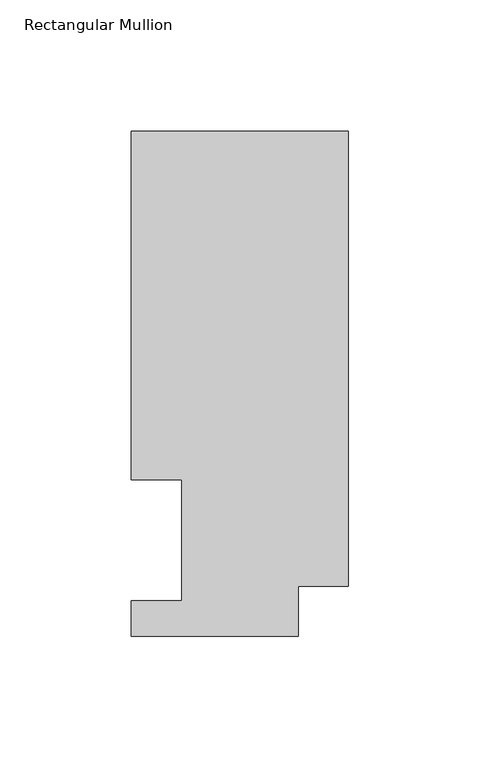
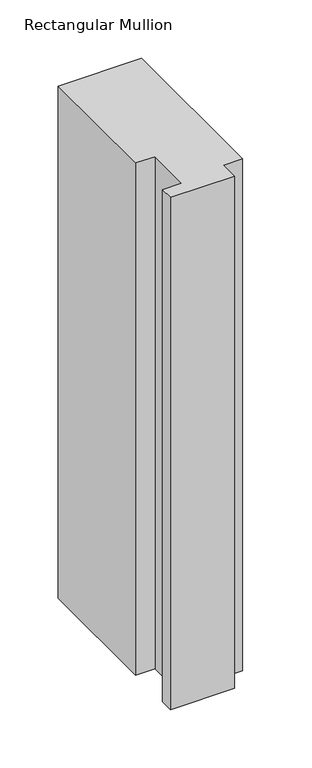
"""IFC4 building model written with IfcOpenShell, lengths in millimetres: member geometry, Rectangular Mullion."""

from ifc_helpers import new_model, si_unit, frame, origin, place, context, project, spatial, polyline, outline, extrude, source, transform, mapped, element, save


def rectangular_mullion_7b0c3280(model_context):
    return source(origin(), model_context, "Body", "SweptSolid", [
        extrude(outline(polyline([(-82.55, 192.09385), (0.0, 192.09385), (0.0, 19.06905), (-19.05, 19.06905), (-19.05, 0.04445), (-82.55, 0.04445), (-82.55, 13.50645), (-63.5, 13.50645), (-63.5, 59.53125), (-82.55, 59.53125), (-82.55, 192.09385)])), frame((0.0, 0.0, -535.4849167), z_axis=(0.0, 0.0, 1.0), x_axis=(1.0, 0.0, 0.0)), (0.0, 0.0, 1.0), 535.4849167),
    ])


if __name__ == "__main__":
    model = new_model("IFC4")
    model_context = context("Model", 3, world=origin())
    ifc_project = project(units=[si_unit("LENGTHUNIT", "METRE", prefix="MILLI")], contexts=[model_context])
    site = spatial("IfcSite", under=ifc_project)
    building = spatial("IfcBuilding", under=site)
    placement = place(None, origin())
    rectangular_mullion_shape = rectangular_mullion_7b0c3280(model_context)
    element("IfcMember", 1, ObjectType="Rectangular Mullion", at=placement, inside=building, context=model_context, shape_type="MappedRepresentation", body=[
        mapped(rectangular_mullion_shape, transform((0.0, 0.0, 0.0), x_axis=(1.0, 0.0, 0.0), y_axis=(0.0, 1.0, 0.0), z_axis=(0.0, 0.0, 1.0))),
    ])
    save(model, "model.ifc")
